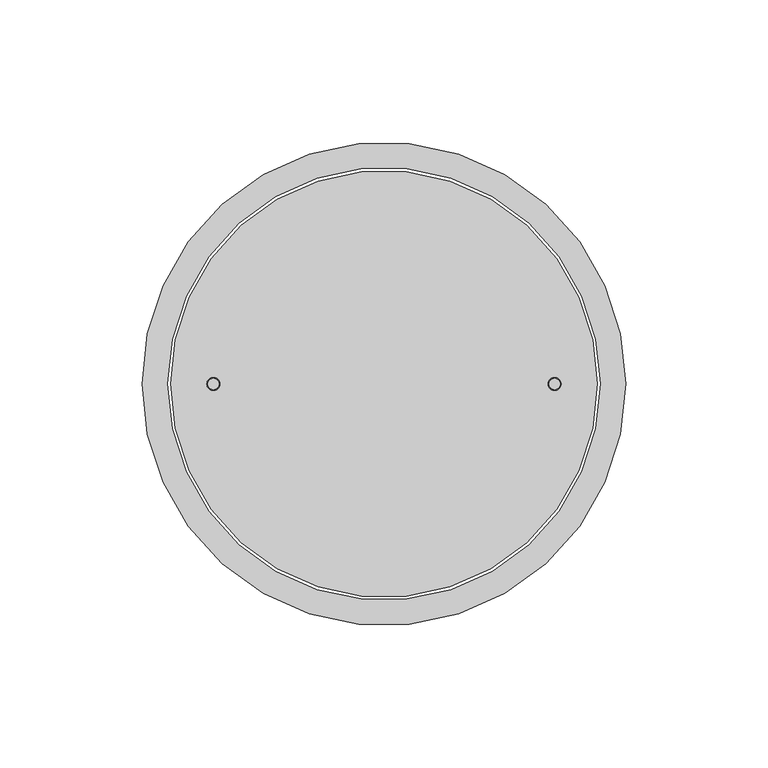
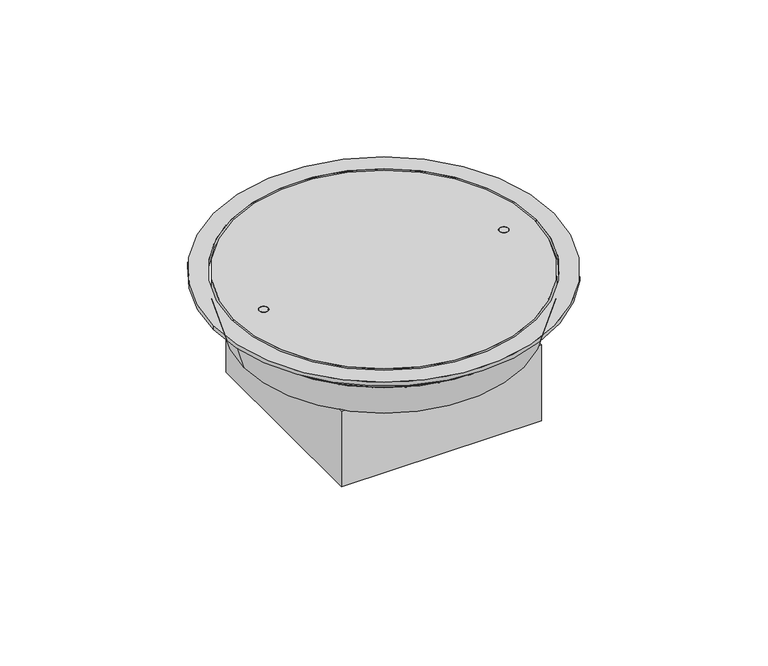
"""IFC4 building model written with IfcOpenShell, lengths in millimetres: outlet geometry."""

from ifc_helpers import new_model, si_unit, point, frame, frame_2d, origin, origin_with_axes, origin_2d, place, context, project, spatial, polyline, circle_curve, trimmed, segment, composite_curve, outline, extrude, faceted_brep, source, transform, mapped, element, save
from ifc_brep_helpers import plane_surface, revolved_surface, advanced_brep


def outlet_c0d367d0(model_context):
    return source(origin(), model_context, "Body", "SolidModel", [
        faceted_brep([(50.0, 50.0, -25.0), (-50.0, 50.0, -25.0), (-50.0, -50.0, -25.0), (50.0, -50.0, -25.0), (-45.0, 22.5, -25.0), (45.0, 22.5, -25.0), (45.0, -22.5, -25.0), (-45.0, -22.5, -25.0), (50.0, 50.0, -65.0), (50.0, -50.0, -65.0), (-50.0, -50.0, -65.0), (-50.0, 50.0, -65.0), (45.0, 22.5, -48.0), (-45.0, 22.5, -48.0), (-45.0, -22.5, -48.0), (45.0, -22.5, -48.0)], [[[0, 1, 2, 3], [4, 5, 6, 7]], [[8, 9, 10, 11]], [[1, 0, 8, 11]], [[2, 1, 11, 10]], [[3, 2, 10, 9]], [[0, 3, 9, 8]], [[12, 13, 14, 15]], [[13, 12, 5, 4]], [[14, 13, 4, 7]], [[15, 14, 7, 6]], [[12, 15, 6, 5]]]),
        advanced_brep(
        [(-70.0, 0.0, -25.0), (70.0, 0.0, -25.0), (45.0, 22.5, -25.0), (-45.0, 22.5, -25.0), (-45.0, -22.5, -25.0), (45.0, -22.5, -25.0), (-75.0, 0.0, -8.0), (75.0, 0.0, -8.0), (-45.0, 22.5, -8.0), (45.0, 22.5, -8.0), (45.0, -22.5, -8.0), (-45.0, -22.5, -8.0)],
        [
            (0, 1, circle_curve(frame((0.0, 0.0, -25.0), z_axis=(0.0, 0.0, -1.0), x_axis=(-1.0, 0.0, 0.0)), 70.0)),
            (1, 0, circle_curve(frame((0.0, 0.0, -25.0), z_axis=(0.0, 0.0, -1.0), x_axis=(1.0, 0.0, 0.0)), 70.0)),
            (2, 3),
            (3, 4),
            (4, 5),
            (5, 2),
            (6, 7, circle_curve(frame((0.0, 0.0, -8.0), z_axis=(0.0, 0.0, 1.0), x_axis=(1.0, 0.0, 0.0)), 75.0)),
            (7, 6, circle_curve(frame((0.0, 0.0, -8.0), z_axis=(0.0, 0.0, 1.0), x_axis=(-1.0, 0.0, 0.0)), 75.0)),
            (8, 9),
            (9, 10),
            (10, 11),
            (11, 8),
            (0, 6),
            (7, 1),
            (2, 9),
            (8, 3),
            (11, 4),
            (10, 5),
        ],
        [
            plane_surface(frame((0.0, 0.0, -25.0), z_axis=(0.0, 0.0, -1.0), x_axis=(0.0, -1.0, 0.0))),
            plane_surface(frame((0.0, 0.0, -8.0), z_axis=(0.0, 0.0, 1.0), x_axis=(0.0, -1.0, 0.0))),
            revolved_surface(polyline([(-70.0, 0.0, -25.0), (-75.0, 0.0, -8.0)]), (0.0, 0.0, -263.0), (0.0, 0.0, 1.0)),
            revolved_surface(polyline([(70.0, 0.0, -25.0), (75.0, 0.0, -8.0)]), (0.0, 0.0, -263.0), (0.0, 0.0, 1.0)),
            plane_surface(frame((45.0, 22.5, -8.0), z_axis=(0.0, -1.0, 0.0), x_axis=(0.0, 0.0, -1.0))),
            plane_surface(frame((-45.0, 22.5, -8.0), z_axis=(1.0, 0.0, 0.0), x_axis=(0.0, 0.0, -1.0))),
            plane_surface(frame((-45.0, -22.5, -8.0), z_axis=(0.0, 1.0, 0.0), x_axis=(0.0, 0.0, -1.0))),
            plane_surface(frame((45.0, -22.5, -8.0), z_axis=(-1.0, 0.0, 0.0), x_axis=(0.0, 0.0, -1.0))),
        ],
        [
            (0, [[1, 2], [3, 4, 5, 6]]),
            (1, [[7, 8], [9, 10, 11, 12]]),
            (2, [[-1, 13, -8, 14]]),
            (3, [[-2, -14, -7, -13]]),
            (4, [[15, -9, 16, -3]]),
            (5, [[-16, -12, 17, -4]]),
            (6, [[-17, -11, 18, -5]]),
            (7, [[-15, -6, -18, -10]]),
        ],
    ),
        extrude(outline(composite_curve([segment(trimmed(circle_curve(frame_2d((-60.0, 0.0)), 2.0), [point((-62.0, 0.0))], [point((-58.0, 0.0))], False, "CARTESIAN"), True, "CONTINUOUS"), segment(trimmed(circle_curve(frame_2d((-60.0, 0.0)), 2.0), [point((-58.0, 0.0))], [point((-62.0, 0.0))], False, "CARTESIAN"), True, "CONTINUOUS")], self_intersect=False)), frame((0.0, 0.0, -8.0), z_axis=(0.0, 0.0, 1.0), x_axis=(1.0, 0.0, 0.0)), (0.0, 0.0, 1.0), 10.0),
        extrude(outline(composite_curve([segment(trimmed(circle_curve(frame_2d((60.0, 0.0)), 2.0), [point((58.0, 0.0))], [point((62.0, 0.0))], False, "CARTESIAN"), True, "CONTINUOUS"), segment(trimmed(circle_curve(frame_2d((60.0, 0.0)), 2.0), [point((62.0, 0.0))], [point((58.0, 0.0))], False, "CARTESIAN"), True, "CONTINUOUS")], self_intersect=False)), frame((0.0, 0.0, -8.0), z_axis=(0.0, 0.0, 1.0), x_axis=(1.0, 0.0, 0.0)), (0.0, 0.0, 1.0), 10.0),
        extrude(outline(composite_curve([segment(trimmed(circle_curve(origin_2d(), 75.0), [point((-75.0, 0.0))], [point((75.0, 0.0))], False, "CARTESIAN"), True, "CONTINUOUS"), segment(trimmed(circle_curve(origin_2d(), 75.0), [point((75.0, 0.0))], [point((-75.0, 0.0))], False, "CARTESIAN"), True, "CONTINUOUS")], self_intersect=False), holes=[composite_curve([segment(trimmed(circle_curve(frame_2d((-60.0, 0.0)), 2.25), [point((-62.25, 0.0))], [point((-57.75, 0.0))], True, "CARTESIAN"), True, "CONTINUOUS"), segment(trimmed(circle_curve(frame_2d((-60.0, 0.0)), 2.25), [point((-57.75, 0.0))], [point((-62.25, 0.0))], True, "CARTESIAN"), True, "CONTINUOUS")], self_intersect=False), composite_curve([segment(trimmed(circle_curve(frame_2d((60.0, 0.0)), 2.25), [point((57.75, 0.0))], [point((62.25, 0.0))], True, "CARTESIAN"), True, "CONTINUOUS"), segment(trimmed(circle_curve(frame_2d((60.0, 0.0)), 2.25), [point((62.25, 0.0))], [point((57.75, 0.0))], True, "CARTESIAN"), True, "CONTINUOUS")], self_intersect=False)]), frame((0.0, 0.0, -8.0), z_axis=(0.0, 0.0, 1.0), x_axis=(1.0, 0.0, 0.0)), (0.0, 0.0, 1.0), 10.0),
        extrude(outline(composite_curve([segment(trimmed(circle_curve(origin_2d(), 85.0), [point((-85.0, 0.0))], [point((85.0, 0.0))], False, "CARTESIAN"), True, "CONTINUOUS"), segment(trimmed(circle_curve(origin_2d(), 85.0), [point((85.0, 0.0))], [point((-85.0, 0.0))], False, "CARTESIAN"), True, "CONTINUOUS")], self_intersect=False), holes=[composite_curve([segment(trimmed(circle_curve(origin_2d(), 76.0), [point((-76.0, 0.0))], [point((76.0, 0.0))], True, "CARTESIAN"), True, "CONTINUOUS"), segment(trimmed(circle_curve(origin_2d(), 76.0), [point((76.0, 0.0))], [point((-76.0, 0.0))], True, "CARTESIAN"), True, "CONTINUOUS")], self_intersect=False)]), origin_with_axes(), (0.0, 0.0, 1.0), 2.0),
    ])


if __name__ == "__main__":
    model = new_model("IFC4")
    model_context = context("Model", 3, world=origin())
    ifc_project = project(units=[si_unit("LENGTHUNIT", "METRE", prefix="MILLI")], contexts=[model_context])
    site = spatial("IfcSite", under=ifc_project)
    building = spatial("IfcBuilding", under=site)
    placement = place(None, origin())
    outlet_shape = outlet_c0d367d0(model_context)
    element("IfcOutlet", 1, at=placement, inside=building, context=model_context, shape_type="MappedRepresentation", body=[
        mapped(outlet_shape, transform((0.0, 0.0, 0.0), x_axis=(1.0, 0.0, 0.0), y_axis=(0.0, 1.0, 0.0), z_axis=(0.0, 0.0, 1.0))),
    ])
    save(model, "model.ifc")
